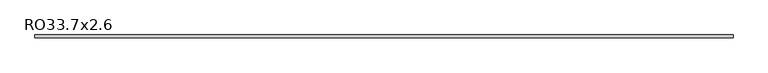
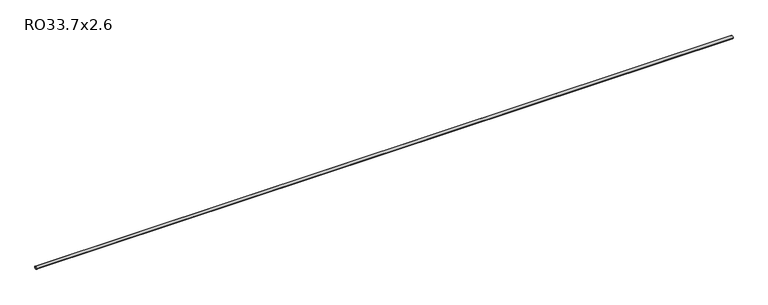
"""IFC4 building model written with IfcOpenShell, lengths in millimetres: beam geometry, RO33.7x2.6."""

from ifc_helpers import new_model, si_unit, point, frame, origin, origin_2d, place, context, project, spatial, circle_curve, trimmed, segment, composite_curve, outline, extrude, source, transform, mapped, element, save


def ro33_7x2_6_c6c1fb51(model_context):
    return source(origin(), model_context, "Body", "SweptSolid", [
        extrude(outline(composite_curve([segment(trimmed(circle_curve(origin_2d(), 16.85), [point((16.85, 0.0))], [point((-16.85, 0.0))], False, "CARTESIAN"), True, "CONTINUOUS"), segment(trimmed(circle_curve(origin_2d(), 16.85), [point((-16.85, 0.0))], [point((16.85, 0.0))], False, "CARTESIAN"), True, "CONTINUOUS")], self_intersect=False), holes=[composite_curve([segment(trimmed(circle_curve(origin_2d(), 14.25), [point((-14.25, 0.0))], [point((14.25, 0.0))], True, "CARTESIAN"), True, "CONTINUOUS"), segment(trimmed(circle_curve(origin_2d(), 14.25), [point((14.25, 0.0))], [point((-14.25, 0.0))], True, "CARTESIAN"), True, "CONTINUOUS")], self_intersect=False)]), frame((-3691.2, 0.0, 0.0), z_axis=(1.0, 0.0, 0.0), x_axis=(0.0, 1.0, 0.0)), (0.0, 0.0, 1.0), 8406.2),
    ])


if __name__ == "__main__":
    model = new_model("IFC4")
    model_context = context("Model", 3, world=origin())
    ifc_project = project(units=[si_unit("LENGTHUNIT", "METRE", prefix="MILLI")], contexts=[model_context])
    site = spatial("IfcSite", under=ifc_project)
    building = spatial("IfcBuilding", under=site)
    placement = place(None, origin())
    ro33_7x2_6_shape = ro33_7x2_6_c6c1fb51(model_context)
    element("IfcBeam", 1, ObjectType="RO33.7x2.6", at=placement, inside=building, context=model_context, shape_type="MappedRepresentation", body=[
        mapped(ro33_7x2_6_shape, transform((0.0, 0.0, 0.0), x_axis=(1.0, 0.0, 0.0), y_axis=(0.0, 1.0, 0.0), z_axis=(0.0, 0.0, 1.0))),
    ])
    save(model, "model.ifc")
